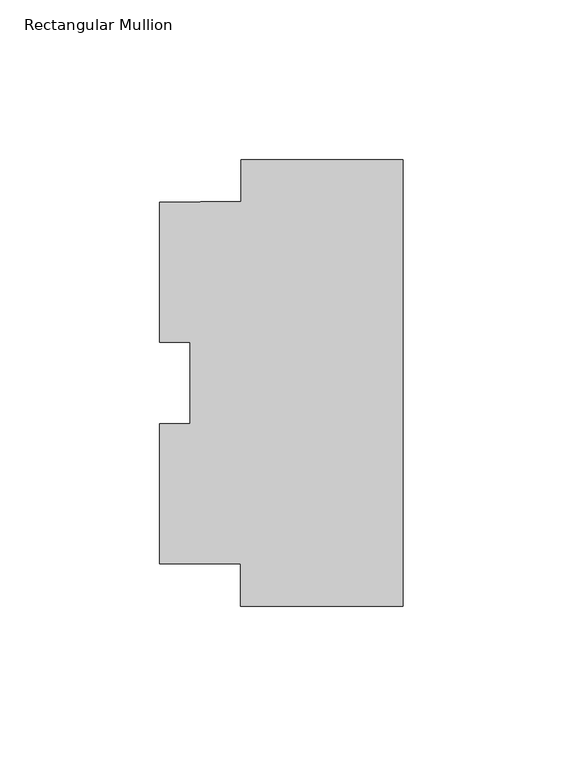
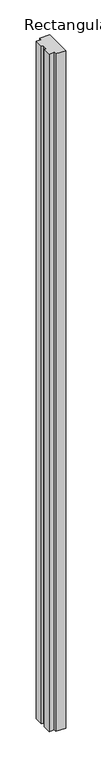
"""IFC4 building model written with IfcOpenShell, lengths in millimetres: member geometry, Rectangular Mullion."""

from ifc_helpers import new_model, si_unit, frame, origin, place, context, project, spatial, polyline, outline, extrude, source, transform, mapped, element, save


def rectangular_mullion_d1673c32(model_context):
    return source(origin(), model_context, "Body", "SweptSolid", [
        extrude(outline(polyline([(-50.7746, 69.8006547), (0.0, 69.8006547), (0.0, -69.9004776), (-50.8, -69.9004776), (-50.8, -56.5660884), (-76.2, -56.5660884), (-76.2, -12.7943268), (-66.675, -12.7943268), (-66.675, 12.6933716), (-76.2, 12.6933716), (-76.2, 56.5261416), (-50.7746, 56.8609801), (-50.7746, 69.8006547)])), frame((0.0, 0.0, -3657.6), z_axis=(0.0, 0.0, 1.0), x_axis=(1.0, 0.0, 0.0)), (0.0, 0.0, 1.0), 3657.6),
    ])


if __name__ == "__main__":
    model = new_model("IFC4")
    model_context = context("Model", 3, world=origin())
    ifc_project = project(units=[si_unit("LENGTHUNIT", "METRE", prefix="MILLI")], contexts=[model_context])
    site = spatial("IfcSite", under=ifc_project)
    building = spatial("IfcBuilding", under=site)
    placement = place(None, origin())
    rectangular_mullion_shape = rectangular_mullion_d1673c32(model_context)
    element("IfcMember", 1, ObjectType="Rectangular Mullion", at=placement, inside=building, context=model_context, shape_type="MappedRepresentation", body=[
        mapped(rectangular_mullion_shape, transform((0.0, 0.0, 0.0), x_axis=(1.0, 0.0, 0.0), y_axis=(0.0, 1.0, 0.0), z_axis=(0.0, 0.0, 1.0))),
    ])
    save(model, "model.ifc")
